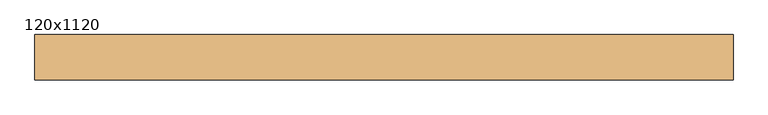
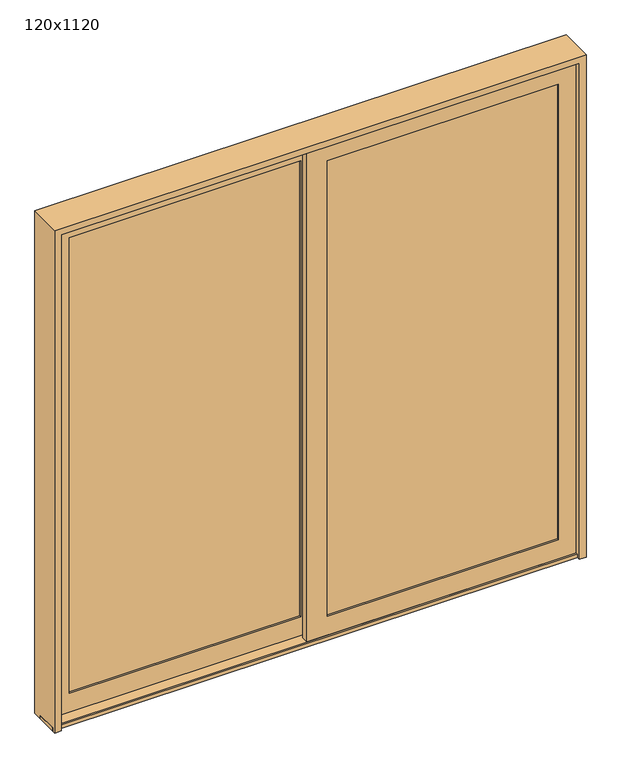
"""IFC4 building model written with IfcOpenShell, lengths in millimetres: door geometry, 120x1120."""

from ifc_helpers import new_model, si_unit, frame, origin, place, context, project, spatial, polyline, outline, extrude, faceted_brep, source, transform, mapped, element, save


def door_120x1120_d0254d3c(model_context):
    return source(origin(), model_context, "Body", "SolidModel", [
        extrude(outline(polyline([(1397.7169118, -72.7955107), (1397.7169118, -75.9705107), (44.7573368, -75.9705107), (44.7573368, -72.7955107), (1397.7169118, -72.7955107)])), frame((0.0, 0.0, 121.4374), z_axis=(0.0, 0.0, 1.0), x_axis=(1.0, 0.0, 0.0)), (0.0, 0.0, 1.0), 2789.2502),
        extrude(outline(polyline([(1397.7169118, -56.9205107), (44.7573368, -56.9205107), (44.7573368, -53.7455107), (1397.7169118, -53.7455107), (1397.7169118, -56.9205107)])), frame((0.0, 0.0, 121.4374), z_axis=(0.0, 0.0, 1.0), x_axis=(1.0, 0.0, 0.0)), (0.0, 0.0, 1.0), 2789.2502),
        faceted_brep([(1400.8919118, -53.7455107, 118.2624), (41.5823368, -53.7455107, 118.2624), (41.5823368, -77.5453309, 118.2624), (1400.8919118, -77.5453309, 118.2624), (1385.0169118, -43.4204107, 134.1374), (57.4573368, -43.4204107, 134.1374), (57.4573368, -53.7455107, 134.1374), (1385.0169118, -53.7455107, 134.1374), (1500.1043118, -87.0618763, 19.05), (-57.6300632, -87.0618763, 19.05), (-57.6300632, -43.4204107, 19.05), (1500.1043118, -43.4204107, 19.05), (1385.0185198, -77.5453309, 134.135792), (57.4557288, -77.5453309, 134.135792), (57.4557288, -87.0618763, 134.135792), (1385.0185198, -87.0618763, 134.135792), (41.5823368, -53.7455107, 2913.8626), (41.5823368, -77.5453309, 2913.8626), (57.4573368, -43.4204107, 2897.9876), (57.4573368, -53.7455107, 2897.9876), (-57.6300632, -87.0618763, 3013.075), (-57.6300632, -43.4204107, 3013.075), (57.4557288, -77.5453309, 2897.989208), (57.4557288, -87.0618763, 2897.989208), (1400.8919118, -53.7455107, 2913.8626), (1400.8919118, -77.5453309, 2913.8626), (1385.0169118, -43.4204107, 2897.9876), (1385.0169118, -53.7455107, 2897.9876), (1500.1043118, -87.0618763, 3013.075), (1500.1043118, -43.4204107, 3013.075), (1385.0185198, -77.5453309, 2897.989208), (1385.0185198, -87.0618763, 2897.989208)], [[[0, 1, 2, 3]], [[4, 5, 6, 7]], [[8, 9, 10, 11]], [[12, 13, 14, 15]], [[1, 16, 17, 2]], [[5, 18, 19, 6]], [[9, 20, 21, 10]], [[13, 22, 23, 14]], [[16, 24, 25, 17]], [[18, 26, 27, 19]], [[20, 28, 29, 21]], [[22, 30, 31, 23]], [[24, 0, 3, 25]], [[1, 0, 24, 16], [7, 6, 19, 27]], [[26, 4, 7, 27]], [[11, 10, 21, 29], [5, 4, 26, 18]], [[28, 8, 11, 29]], [[9, 8, 28, 20], [15, 14, 23, 31]], [[30, 12, 15, 31]], [[3, 2, 17, 25], [13, 12, 30, 22]]]),
        extrude(outline(polyline([(-44.8202139, -9.0749499), (-44.8202139, -12.2499499), (-1397.7797889, -12.2499499), (-1397.7797889, -9.0749499), (-44.8202139, -9.0749499)])), frame((0.0, 0.0, 121.4374), z_axis=(0.0, 0.0, 1.0), x_axis=(1.0, 0.0, 0.0)), (0.0, 0.0, 1.0), 2789.2502),
        extrude(outline(polyline([(-44.8202139, 6.8000501), (-1397.7797889, 6.8000501), (-1397.7797889, 9.9750501), (-44.8202139, 9.9750501), (-44.8202139, 6.8000501)])), frame((0.0, 0.0, 121.4374), z_axis=(0.0, 0.0, 1.0), x_axis=(1.0, 0.0, 0.0)), (0.0, 0.0, 1.0), 2789.2502),
        faceted_brep([(-41.6452139, 9.9750501, 118.2624), (-1400.9547889, 9.9750501, 118.2624), (-1400.9547889, -13.8247701, 118.2624), (-41.6452139, -13.8247701, 118.2624), (-57.5202139, 20.3001501, 134.1374), (-1385.0797889, 20.3001501, 134.1374), (-1385.0797889, 9.9750501, 134.1374), (-57.5202139, 9.9750501, 134.1374), (57.5671861, -23.3413155, 19.05), (-1500.1671889, -23.3413155, 19.05), (-1500.1671889, 20.3001501, 19.05), (57.5671861, 20.3001501, 19.05), (-57.5186059, -13.8247701, 134.135792), (-1385.0813969, -13.8247701, 134.135792), (-1385.0813969, -23.3413155, 134.135792), (-57.5186059, -23.3413155, 134.135792), (-1400.9547889, 9.9750501, 2913.8626), (-1400.9547889, -13.8247701, 2913.8626), (-1385.0797889, 20.3001501, 2897.9876), (-1385.0797889, 9.9750501, 2897.9876), (-1500.1671889, -23.3413155, 3013.075), (-1500.1671889, 20.3001501, 3013.075), (-1385.0813969, -13.8247701, 2897.989208), (-1385.0813969, -23.3413155, 2897.989208), (-41.6452139, 9.9750501, 2913.8626), (-41.6452139, -13.8247701, 2913.8626), (-57.5202139, 20.3001501, 2897.9876), (-57.5202139, 9.9750501, 2897.9876), (57.5671861, -23.3413155, 3013.075), (57.5671861, 20.3001501, 3013.075), (-57.5186059, -13.8247701, 2897.989208), (-57.5186059, -23.3413155, 2897.989208)], [[[0, 1, 2, 3]], [[4, 5, 6, 7]], [[8, 9, 10, 11]], [[12, 13, 14, 15]], [[1, 16, 17, 2]], [[5, 18, 19, 6]], [[9, 20, 21, 10]], [[13, 22, 23, 14]], [[16, 24, 25, 17]], [[18, 26, 27, 19]], [[20, 28, 29, 21]], [[22, 30, 31, 23]], [[24, 0, 3, 25]], [[1, 0, 24, 16], [7, 6, 19, 27]], [[26, 4, 7, 27]], [[11, 10, 21, 29], [5, 4, 26, 18]], [[28, 8, 11, 29]], [[9, 8, 28, 20], [15, 14, 23, 31]], [[30, 12, 15, 31]], [[3, 2, 17, 25], [13, 12, 30, 22]]]),
        extrude(outline(polyline([(-102.5128594, 0.0), (-102.5128594, 20.6375), (-90.1744757, 20.6375), (-90.1744757, 19.1087537), (22.9532571, 19.1087537), (22.9532571, 0.0), (-102.5128594, 0.0)])), frame((-1523.9796889, 0.0, 0.0), z_axis=(1.0, 0.0, 0.0), x_axis=(0.0, 1.0, 0.0)), (0.0, 0.0, 1.0), 3047.9796889),
        faceted_brep([(-1500.1043118, -90.7372698, 0.0), (-1485.7668989, -90.7372698, 0.0), (-1485.7668989, -120.5813913, 0.0), (-1524.0, -120.5813913, 0.0), (-1524.0, 76.5625264, 0.0), (-1506.5375, 76.5625264, 0.0), (-1506.5375, 32.6262916, 0.0), (-1485.7668989, 32.6262916, 0.0), (-1485.7668989, 23.9607592, 0.0), (-1500.1043118, 23.9607592, 0.0), (-1500.1043118, -27.016709, 0.0), (-1485.7668989, -27.016709, 0.0), (-1485.7668989, -39.7598016, 0.0), (-1500.1043118, -39.7598016, 0.0), (1500.1043118, -90.7372698, 0.0), (1500.1043118, -39.7598016, 0.0), (1485.7668989, -39.7598016, 0.0), (1485.7668989, -27.016709, 0.0), (1500.1043118, -27.016709, 0.0), (1500.1043118, 23.9607592, 0.0), (1485.7668989, 23.9607592, 0.0), (1485.7668989, 32.6262916, 0.0), (1506.5375, 32.6262916, 0.0), (1506.5375, 76.5625264, 0.0), (1524.0, 76.5625264, 0.0), (1524.0, -120.5813913, 0.0), (1485.7668989, -120.5813913, 0.0), (1485.7668989, -90.7372698, 0.0), (-1500.1043118, -39.7598016, 3024.1043118), (-1500.1043118, -90.7372698, 3024.1043118), (-1485.7668989, -39.7598016, 3009.7668989), (1485.7668989, -39.7598016, 3009.7668989), (1500.1043118, -39.7598016, 3024.1043118), (-1485.7668989, -27.016709, 3009.7668989), (-1500.1043118, -27.016709, 3024.1043118), (1500.1043118, -27.016709, 3024.1043118), (1485.7668989, -27.016709, 3009.7668989), (-1500.1043118, 23.9607592, 3024.1043118), (-1485.7668989, 23.9607592, 3009.7668989), (1485.7668989, 23.9607592, 3009.7668989), (1500.1043118, 23.9607592, 3024.1043118), (-1485.7668989, 32.6262916, 3009.7668989), (-1506.5375, 32.6262916, 3030.5375), (1506.5375, 32.6262916, 3030.5375), (1485.7668989, 32.6262916, 3009.7668989), (-1506.5375, 76.5625264, 3030.5375), (-1524.0, 76.5625264, 3048.0), (1524.0, 76.5625264, 3048.0), (1506.5375, 76.5625264, 3030.5375), (-1524.0, -120.5813913, 3048.0), (-1485.7668989, -120.5813913, 3009.7668989), (1485.7668989, -120.5813913, 3009.7668989), (1524.0, -120.5813913, 3048.0), (-1485.7668989, -90.7372698, 3009.7668989), (1500.1043118, -90.7372698, 3024.1043118), (1485.7668989, -90.7372698, 3009.7668989)], [[[0, 1, 2, 3, 4, 5, 6, 7, 8, 9, 10, 11, 12, 13]], [[14, 15, 16, 17, 18, 19, 20, 21, 22, 23, 24, 25, 26, 27]], [[13, 28, 29, 0]], [[12, 30, 31, 16, 15, 32, 28, 13]], [[11, 33, 30, 12]], [[10, 34, 35, 18, 17, 36, 33, 11]], [[9, 37, 34, 10]], [[8, 38, 39, 20, 19, 40, 37, 9]], [[7, 41, 38, 8]], [[6, 42, 43, 22, 21, 44, 41, 7]], [[5, 45, 42, 6]], [[4, 46, 47, 24, 23, 48, 45, 5]], [[3, 49, 46, 4]], [[2, 50, 51, 26, 25, 52, 49, 3]], [[1, 53, 50, 2]], [[0, 29, 54, 14, 27, 55, 53, 1]], [[28, 32, 54, 29]], [[33, 36, 31, 30]], [[37, 40, 35, 34]], [[41, 44, 39, 38]], [[45, 48, 43, 42]], [[49, 52, 47, 46]], [[53, 55, 51, 50]], [[32, 15, 14, 54]], [[36, 17, 16, 31]], [[40, 19, 18, 35]], [[44, 21, 20, 39]], [[48, 23, 22, 43]], [[52, 25, 24, 47]], [[55, 27, 26, 51]]]),
    ])


if __name__ == "__main__":
    model = new_model("IFC4")
    model_context = context("Model", 3, world=origin())
    ifc_project = project(units=[si_unit("LENGTHUNIT", "METRE", prefix="MILLI")], contexts=[model_context])
    site = spatial("IfcSite", under=ifc_project)
    building = spatial("IfcBuilding", under=site)
    placement = place(None, origin())
    door_120x1120_shape = door_120x1120_d0254d3c(model_context)
    element("IfcDoor", 1, ObjectType="120x1120", at=placement, inside=building, context=model_context, shape_type="MappedRepresentation", body=[
        mapped(door_120x1120_shape, transform((0.0, 0.0, 0.0), x_axis=(1.0, 0.0, 0.0), y_axis=(0.0, 1.0, 0.0), z_axis=(0.0, 0.0, 1.0))),
    ])
    save(model, "model.ifc")
